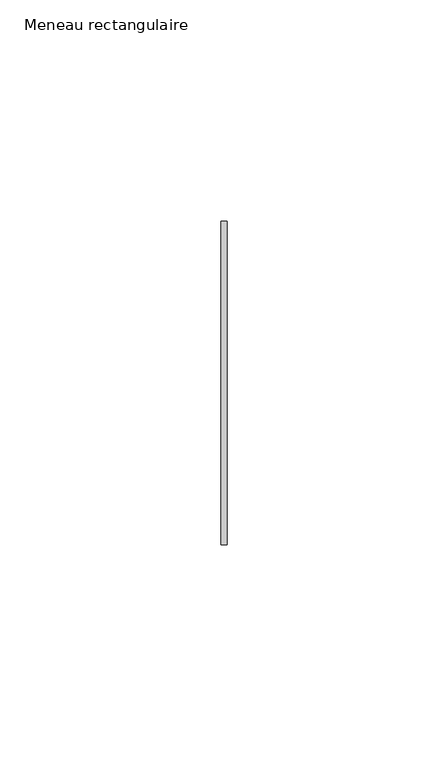
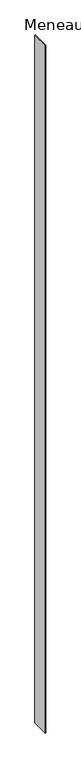
"""IFC4 building model written with IfcOpenShell, lengths in millimetres: member geometry, Meneau rectangulaire."""

from ifc_helpers import new_model, si_unit, frame, origin, place, context, project, spatial, polyline, outline, extrude, source, transform, mapped, element, save


def meneau_rectangulaire_3435b3e8(model_context):
    return source(origin(), model_context, "Body", "SweptSolid", [
        extrude(outline(polyline([(-0.6, 36.6), (0.8, 36.6), (0.8, -36.6), (-0.6, -36.6), (-0.6, 36.6)])), frame((0.0, 0.0, -2914.7), z_axis=(0.0, 0.0, 1.0), x_axis=(1.0, 0.0, 0.0)), (0.0, 0.0, 1.0), 2914.7),
    ])


if __name__ == "__main__":
    model = new_model("IFC4")
    model_context = context("Model", 3, world=origin())
    ifc_project = project(units=[si_unit("LENGTHUNIT", "METRE", prefix="MILLI")], contexts=[model_context])
    site = spatial("IfcSite", under=ifc_project)
    building = spatial("IfcBuilding", under=site)
    placement = place(None, origin())
    meneau_rectangulaire_shape = meneau_rectangulaire_3435b3e8(model_context)
    element("IfcMember", 1, ObjectType="Meneau rectangulaire", at=placement, inside=building, context=model_context, shape_type="MappedRepresentation", body=[
        mapped(meneau_rectangulaire_shape, transform((0.0, 0.0, 0.0), x_axis=(1.0, 0.0, 0.0), y_axis=(0.0, 1.0, 0.0), z_axis=(0.0, 0.0, 1.0))),
    ])
    save(model, "model.ifc")
